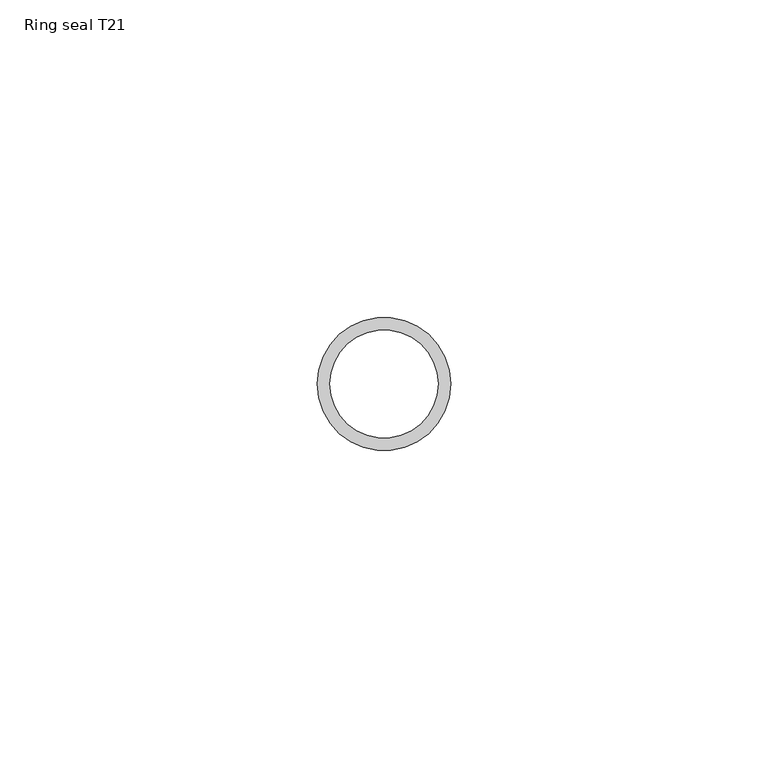
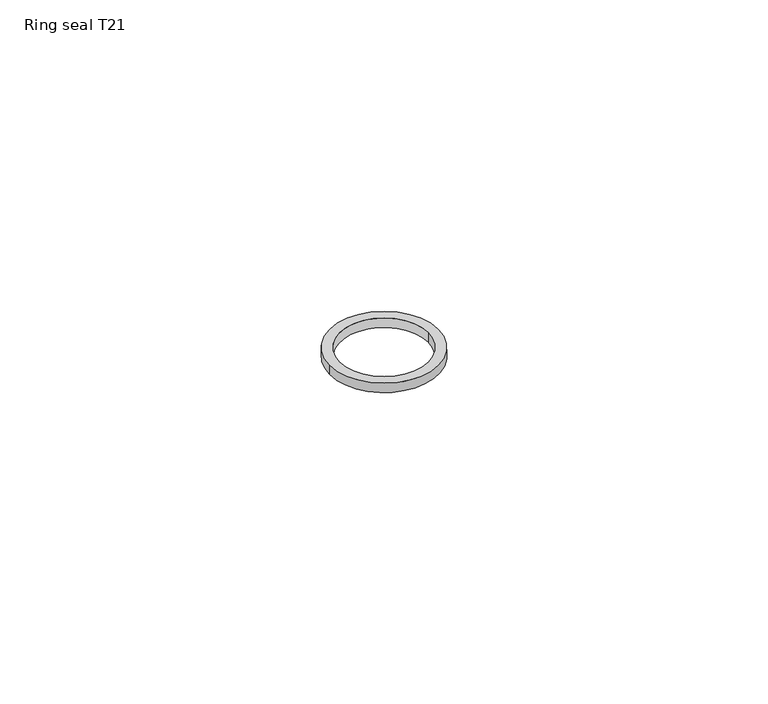
"""IFC4 building model written with IfcOpenShell, lengths in millimetres: proxy geometry, Ring seal T21."""

from ifc_helpers import new_model, si_unit, point, origin, origin_with_axes, origin_2d, place, context, project, spatial, circle_curve, trimmed, segment, composite_curve, outline, extrude, source, transform, mapped, element, save


def ring_seal_t21_34d9a393(model_context):
    return source(origin(), model_context, "Body", "SweptSolid", [
        extrude(outline(composite_curve([segment(trimmed(circle_curve(origin_2d(), 10.5), [point((-10.5, 0.0))], [point((10.5, 0.0))], False, "CARTESIAN"), True, "CONTINUOUS"), segment(trimmed(circle_curve(origin_2d(), 10.5), [point((10.5, 0.0))], [point((-10.5, 0.0))], False, "CARTESIAN"), True, "CONTINUOUS")], self_intersect=False), holes=[composite_curve([segment(trimmed(circle_curve(origin_2d(), 8.5161776), [point((-8.5161776, 0.0))], [point((8.5161776, 0.0))], True, "CARTESIAN"), True, "CONTINUOUS"), segment(trimmed(circle_curve(origin_2d(), 8.5161776), [point((8.5161776, 0.0))], [point((-8.5161776, 0.0))], True, "CARTESIAN"), True, "CONTINUOUS")], self_intersect=False)]), origin_with_axes(), (0.0, 0.0, 1.0), 1.9222521),
    ])


if __name__ == "__main__":
    model = new_model("IFC4")
    model_context = context("Model", 3, world=origin())
    ifc_project = project(units=[si_unit("LENGTHUNIT", "METRE", prefix="MILLI")], contexts=[model_context])
    site = spatial("IfcSite", under=ifc_project)
    building = spatial("IfcBuilding", under=site)
    placement = place(None, origin())
    ring_seal_t21_shape = ring_seal_t21_34d9a393(model_context)
    element("IfcBuildingElementProxy", 1, Name="Ring seal T21", ObjectType="Ring seal T21", at=placement, inside=building, context=model_context, shape_type="MappedRepresentation", body=[
        mapped(ring_seal_t21_shape, transform((0.0, 0.0, 0.0), x_axis=(1.0, 0.0, 0.0), y_axis=(0.0, 1.0, 0.0), z_axis=(0.0, 0.0, 1.0))),
    ])
    save(model, "model.ifc")
